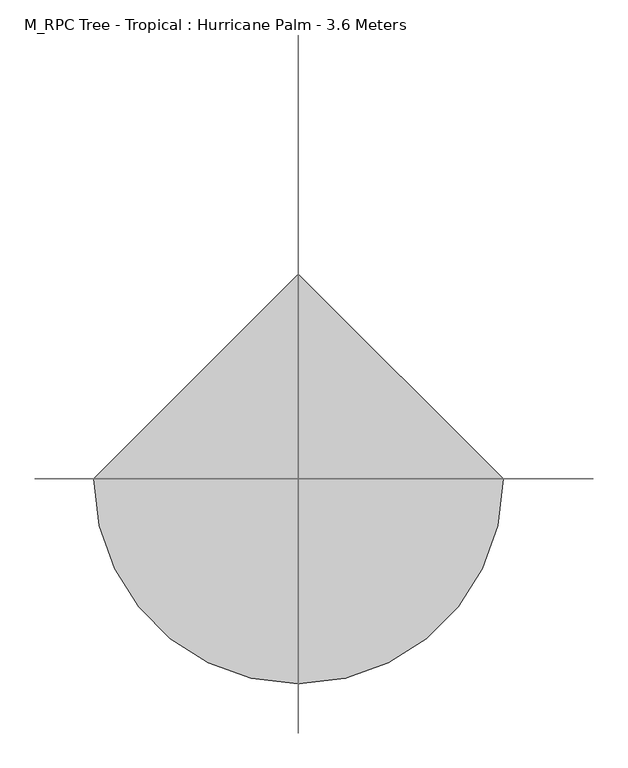
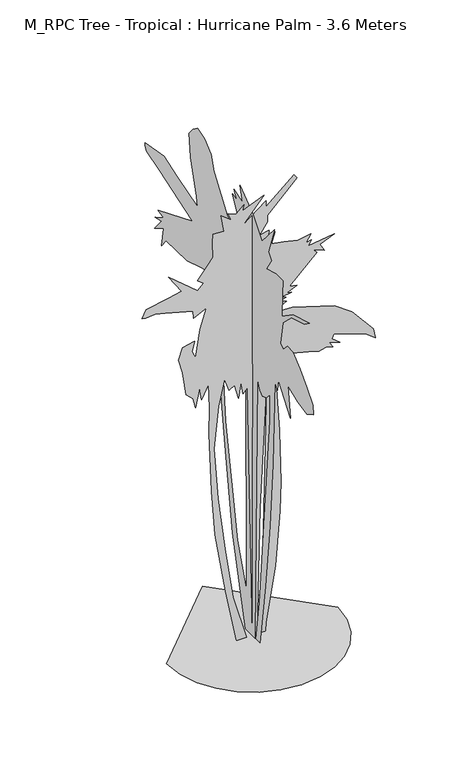
"""IFC4 building model written with IfcOpenShell, lengths in millimetres: geographic element geometry, M_RPC Tree - Tropical : Hurricane Palm - 3.6 Meters."""

import ifcopenshell
import ifcopenshell.guid

model = None  # the IFC model being written
_history = None  # IfcOwnerHistory: only IFC2X3 demands one
_inside = {}  # id of a spatial element -> (the spatial element, [elements in it])
_under = {}  # id of a project, library or spatial element -> (it, [spatial elements below it])
_declared = {}  # id of a project -> (the project, [libraries it declares])
_typed = {}  # id of a type object -> (the type object, [elements of that type])
_made_of = {}  # id of a material, layer set ... -> (it, [elements and type objects made of it])


def new_model(schema):
    """Start an empty IFC model of exactly this schema.

    Asked for "IFC4X3", IfcOpenShell would pick the latest addendum, in which some entities
    have other attributes; the version numbers below select the first issue.
    IFC2X3 requires an IfcOwnerHistory on every rooted entity: one is made here for all.
    """
    global model, _history
    if schema == "IFC4X3":
        model = ifcopenshell.file(schema_version=(4, 3, 0, 0))
    else:
        model = ifcopenshell.file(schema=schema)
    _inside.clear()
    _under.clear()
    _declared.clear()
    _typed.clear()
    _made_of.clear()
    _history = None
    if model.schema == "IFC2X3":
        org = make("IfcOrganization", Name="unknown")
        user = make(
            "IfcPersonAndOrganization",
            ThePerson=make("IfcPerson", FamilyName="unknown"),
            TheOrganization=org,
        )
        app = make(
            "IfcApplication",
            ApplicationDeveloper=org,
            Version="unknown",
            ApplicationFullName="unknown",
            ApplicationIdentifier="unknown",
        )
        _history = make(
            "IfcOwnerHistory",
            OwningUser=user,
            OwningApplication=app,
            ChangeAction="ADDED",
            CreationDate=0,
        )
    return model


def make(cls, **values):
    """One entity of the class cls with the attributes given. An attribute that is None is left unset."""
    return model.create_entity(
        cls, **{name: value for name, value in values.items() if value is not None}
    )


def rooted(cls, **values):
    """An entity with a GlobalId (a new one), such as an element, a storey or a relation."""
    return make(cls, GlobalId=ifcopenshell.guid.new(), OwnerHistory=_history, **values)


def si_unit(unit_type, name, prefix=None):
    """IfcSIUnit, for example si_unit("LENGTHUNIT", "METRE", prefix="MILLI")."""
    return make("IfcSIUnit", UnitType=unit_type, Prefix=prefix, Name=name)


def assignment(units):
    """IfcUnitAssignment: the units of a project."""
    return None if units is None else make("IfcUnitAssignment", Units=units)


def point(xyz):
    """IfcCartesianPoint."""
    return None if xyz is None else make("IfcCartesianPoint", Coordinates=xyz)


def direction(xyz):
    """IfcDirection."""
    return None if xyz is None else make("IfcDirection", DirectionRatios=xyz)


def frame(location, z_axis=None, x_axis=None):
    """IfcAxis2Placement3D, a coordinate frame: its origin and axes. An axis left out is left unset."""
    return make(
        "IfcAxis2Placement3D",
        Location=point(location),
        Axis=direction(z_axis),
        RefDirection=direction(x_axis),
    )


def origin():
    """The frame at (0, 0, 0) with its axes left unset."""
    return frame((0.0, 0.0, 0.0))


def place(relative_to, where):
    """IfcLocalPlacement: puts the frame where relative to a parent placement (None: the world)."""
    return make(
        "IfcLocalPlacement", PlacementRelTo=relative_to, RelativePlacement=where
    )


def context(
    kind, dimensions, precision=None, world=None, true_north=None, identifier=None
):
    """IfcGeometricRepresentationContext, for example the 3D "Model" context."""
    return make(
        "IfcGeometricRepresentationContext",
        ContextIdentifier=identifier,
        ContextType=kind,
        CoordinateSpaceDimension=dimensions,
        Precision=precision,
        WorldCoordinateSystem=world,
        TrueNorth=true_north,
    )


def project(units=None, contexts=None):
    """IfcProject with its units and contexts."""
    return rooted(
        "IfcProject",
        Name="project",
        RepresentationContexts=contexts,
        UnitsInContext=assignment(units),
    )


def spatial(cls, under=None, at=None, **own):
    """A site, building, storey or space (cls), placed at a placement, below another one or the project."""
    s = rooted(cls, ObjectPlacement=at, **own)
    if under is not None:
        _under.setdefault(under.id(), (under, []))[1].append(s)
    return s


def point_list(points):
    """IfcCartesianPointList2D or 3D."""
    cls = (
        "IfcCartesianPointList2D" if len(points[0]) == 2 else "IfcCartesianPointList3D"
    )
    return make(cls, CoordList=points)


def triangles(points, corners, closed=None, point_numbers=None):
    """IfcTriangulatedFaceSet: each triangle names its three corners, points numbered from 1."""
    return make(
        "IfcTriangulatedFaceSet",
        Coordinates=point_list(points),
        Closed=closed,
        CoordIndex=corners,
        PnIndex=point_numbers,
    )


def shape(context_of_items, identifier, shape_type, items):
    """IfcShapeRepresentation: the items that make up one representation, for example the "Body"."""
    return make(
        "IfcShapeRepresentation",
        ContextOfItems=context_of_items,
        RepresentationIdentifier=identifier,
        RepresentationType=shape_type,
        Items=items,
    )


def source(mapping_origin, context_of_items, identifier, shape_type, items):
    """IfcRepresentationMap: a shape defined once, which mapped items show again and again."""
    return make(
        "IfcRepresentationMap",
        MappingOrigin=mapping_origin,
        MappedRepresentation=shape(context_of_items, identifier, shape_type, items),
    )


def transform(
    local_origin,
    x_axis=None,
    y_axis=None,
    z_axis=None,
    scale=None,
    scale2=None,
    scale3=None,
    uniform=True,
):
    """IfcCartesianTransformationOperator3D, or its non-uniform kind. x_axis, y_axis, z_axis: its Axis1, 2, 3."""
    if uniform:
        return make(
            "IfcCartesianTransformationOperator3D",
            Axis1=direction(x_axis),
            Axis2=direction(y_axis),
            LocalOrigin=point(local_origin),
            Scale=scale,
            Axis3=direction(z_axis),
        )
    return make(
        "IfcCartesianTransformationOperator3DnonUniform",
        Axis1=direction(x_axis),
        Axis2=direction(y_axis),
        LocalOrigin=point(local_origin),
        Scale=scale,
        Axis3=direction(z_axis),
        Scale2=scale2,
        Scale3=scale3,
    )


def mapped(mapping_source, mapping_target):
    """IfcMappedItem: shows the shape of a source again, moved by a transform."""
    return make(
        "IfcMappedItem", MappingSource=mapping_source, MappingTarget=mapping_target
    )


def made_of(thing, what):
    """Note that an element or type object is made of a material, layer set ...; save() writes the relation."""
    if what is not None:
        _made_of.setdefault(what.id(), (what, []))[1].append(thing)
    return thing


def element(
    cls,
    number,
    at=None,
    inside=None,
    cuts=None,
    type_object=None,
    material=None,
    context=None,
    identifier="Body",
    shape_type=None,
    held_by="IfcProductDefinitionShape",
    body=None,
    shapes=None,
    **own,
):
    """One element of the class cls, such as IfcWall. Its Tag is "e" and its number.

    at: its placement. inside: the storey or other place that contains it. cuts: it is an
    opening in that element (IfcRelVoidsElement). A single representation is given by context,
    identifier, shape_type and body (its items); several are given by shapes. held_by: the class
    of the entity that holds the representations. save() writes the other relations.
    """
    e = rooted(cls, Tag="e%d" % number, ObjectPlacement=at, **own)
    if body is not None:
        shapes = [shape(context, identifier, shape_type, body)]
    if shapes is not None:
        e.Representation = make(held_by, Representations=shapes)
    if inside is not None:
        _inside.setdefault(inside.id(), (inside, []))[1].append(e)
    if cuts is not None:
        rooted(
            "IfcRelVoidsElement", RelatingBuildingElement=cuts, RelatedOpeningElement=e
        )
    if type_object is not None:
        _typed.setdefault(type_object.id(), (type_object, []))[1].append(e)
    return made_of(e, material)


def aggregate(whole, parts):
    """IfcRelAggregates: a whole, such as a stair, and the parts it consists of."""
    return rooted("IfcRelAggregates", RelatingObject=whole, RelatedObjects=parts)


def save(model, path):
    """Write the relations noted so far, then the file.

    IfcRelAggregates (storeys below a building ...), IfcRelContainedInSpatialStructure (elements
    in a storey), IfcRelDefinesByType, IfcRelAssociatesMaterial and IfcRelDeclares: one each for
    every whole, place, type object, material and project.
    """
    for whole, parts in _under.values():
        aggregate(whole, parts)
    for where, things in _inside.values():
        rooted(
            "IfcRelContainedInSpatialStructure",
            RelatedElements=things,
            RelatingStructure=where,
        )
    for kind, things in _typed.values():
        rooted("IfcRelDefinesByType", RelatedObjects=things, RelatingType=kind)
    for what, things in _made_of.values():
        rooted("IfcRelAssociatesMaterial", RelatedObjects=things, RelatingMaterial=what)
    for by, libraries in _declared.values():
        rooted("IfcRelDeclares", RelatingContext=by, RelatedDefinitions=libraries)
    model.write(path)


def m_rpc_tree_tropical_hurricane_palm_3_6_meters_73a83cb7(model_context):
    return source(origin(), model_context, "Body", "Tessellation", [
        triangles([(-643.5729263, 0.0, 0.0), (-626.5554331, -147.5096553, 0.0), (-578.0829557, -282.9723171, 0.0), (-502.0430114, -402.5097336, 0.0), (-402.3130523, -502.2396927, 0.0), (-282.7756539, -578.2796371, 0.0), (-147.3127378, -626.7520781, 0.0), (0.1966992, -643.7695713, 0.0), (147.7063276, -626.7520781, 0.0), (283.1689802, -578.2796371, 0.0), (402.7064149, -502.2396927, 0.0), (502.436374, -402.5097336, 0.0), (578.4763184, -282.9723171, 0.0), (626.948723, -147.5094101, 0.0), (643.9662163, 5.63e-05, 0.0), (0.1965867, 643.7695713, 0.0), (313.9964953, -0.0001039, 3550.9727875), (336.8464814, -9.66e-05, 3516.6978447), (115.9633523, -6.9e-05, 3299.6230133), (115.9633523, -5.94e-05, 3246.3227783), (55.0301394, -4.68e-05, 3158.7228928), (127.388091, -4.59e-05, 3173.9478355), (123.5800931, -3.79e-05, 3128.2480087), (173.0883084, -3.88e-05, 3147.2980087), (146.4298248, -2.45e-05, 3059.6981232), (237.8295057, -1.72e-05, 3044.4731804), (344.463967, -7e-06, 3017.8230629), (443.4788898, -5.4e-06, 3036.8480644), (405.3964396, 2.9e-06, 2979.7230629), (447.2863973, 3.7e-06, 2987.3481789), (424.4389183, 9.3e-06, 2949.2731773), (618.6612202, 1.44e-05, 2975.9230042), (508.2213407, 1.7e-05, 2930.2231773), (542.4963198, 2.96e-05, 2869.2981171), (458.7138974, 1.92e-05, 2903.5730598), (485.3713546, 2.6e-05, 2873.0981758), (279.7214799, 5.1e-05, 2675.0733444), (336.8464814, 5.6e-05, 2663.6481697), (260.6790012, 5.75e-05, 2633.1732857), (294.9539804, 6.06e-05, 2625.5734589), (222.5965147, 5.9e-05, 2614.1482841), (253.0640046, 6.33e-05, 2598.8983429), (203.5545266, 6.35e-05, 2583.6734001), (256.8714938, 6.96e-05, 2564.6234001), (138.8133293, 7.38e-05, 2507.4983986), (302.571466, 8.28e-05, 2503.6983398), (618.6612202, 0.0001165, 2404.6785118), (748.1461945, 0.0001401, 2309.4709511), (911.9035681, 0.0001824, 2119.0536495), (927.1360685, 0.0001975, 2039.0787346), (862.3961248, 0.0001847, 2092.3961197), (614.8537491, 0.0001558, 2183.796064), (599.621285, 0.0001612, 2149.5211212), (660.5537212, 0.0001731, 2100.0112072), (580.5788063, 0.000165, 2122.8611206), (607.2362998, 0.0001738, 2080.9712357), (553.9213128, 0.0001684, 2096.2035908), (500.603855, 0.0001677, 2084.7787067), (424.4389183, 0.0001605, 2103.8211491), (294.9539804, 0.0001478, 2138.0960918), (165.4715495, 0.0001324, 2187.6035351), (203.5545266, 0.0002474, 1555.4214832), (214.979774, 0.0003208, 1147.9292776), (207.3630332, 0.0003613, 919.4294168), (176.8963064, 0.000436, 492.897167), (104.5381049, 0.0005079, 70.1739552), (100.7298617, 0.0005209, 0.0040319), (55.0301394, 0.0005192, 6.64e-05), (85.4966164, 0.0003735, 816.6069866), (115.9633523, 0.0001415, 2122.8611206), (58.8383826, 0.0003408, 991.7893896), (35.9881467, 0.0005174, 0.0040343), (1.7132677, 0.0005156, 0.0040356), (-36.3698072, 0.000159, 1981.9537331), (-70.644784, 0.000164, 1943.8713192), (-85.8780248, 0.0001456, 2042.8862057), (-101.1115154, 0.0001666, 1921.0212605), (-131.5782422, 0.0001446, 2035.2712635), (-173.4697168, 0.0001473, 2008.6112629), (-207.7446959, 0.0001278, 2107.6286201), (-253.4456673, 0.0001609, 1909.5962311), (-287.7181575, 0.0002171, 1585.8889549), (-257.2531747, 0.0002915, 1178.3967493), (-203.9362075, 0.0003691, 759.4819851), (-143.00299, 0.0004443, 355.7972869), (-43.9865502, 0.0005125, 0.0080045), (-116.3447516, 0.0005097, 0.00404), (-200.1279552, 0.0004299, 420.5397377), (-280.1031608, 0.00034, 900.3894453), (-306.7606361, 0.0002753, 1254.5642658), (-325.8031148, 0.000192, 1715.3714584), (-321.9931003, 0.0001554, 1921.0212605), (-329.6106222, 0.000121, 2111.4360912), (-379.1180655, 0.0001375, 2004.8036465), (-394.353073, 0.000119, 2103.8211491), (-424.8205447, 0.0001434, 1959.1036743), (-443.8605526, 0.0001288, 2035.2712635), (-497.1780104, 0.0001172, 2084.7787067), (-523.8354675, 8.25e-05, 2271.3860664), (-554.3029756, 6.12e-05, 2381.8284531), (-523.8354675, 4.71e-05, 2469.4184555), (-432.4355596, 4.83e-05, 2488.4608978), (-451.4780382, 6.1e-05, 2412.293454), (-424.8205447, 7.26e-05, 2355.1709232), (-390.5430585, 3.62e-05, 2568.4234589), (-344.8430863, 1.06e-05, 2724.57323), (-440.0530452, 1.46e-05, 2675.0733444), (-443.8605526, 4.2e-06, 2732.1983459), (-653.317971, -1.66e-05, 2789.3233475), (-729.4854149, -2.39e-05, 2808.3480583), (-801.8428442, -2.62e-05, 2800.7482315), (-828.5028448, -2.89e-05, 2808.3480583), (-798.0353731, -3.76e-05, 2865.4730598), (-630.467985, -3.52e-05, 2899.7480026), (-531.4529895, -3.43e-05, 2922.5980614), (-630.467985, -6.52e-05, 3067.3229485), (-409.5855735, -2.06e-05, 2880.7232918), (-367.6930724, -2.67e-05, 2926.4231186), (-409.5855735, -3.49e-05, 2960.6980614), (-337.2281078, -4.83e-05, 3055.8980644), (-295.3356431, -5.57e-05, 3109.2230072), (-299.1456395, -7.63e-05, 3223.4730103), (-295.3356431, -8.84e-05, 3292.0228958), (-211.5526939, -8.28e-05, 3284.3977798), (-234.4029343, -0.0001078, 3417.6977829), (-158.2362353, -9.3e-05, 3356.7477242), (-181.0864758, -0.0001044, 3413.8727257), (-120.1530039, -9.66e-05, 3387.2228989), (-63.0282885, -0.0001039, 3444.3479004), (-74.4530318, -9.63e-05, 3398.6477829), (89.305114, -0.0001003, 3467.1976685), (-74.4530318, -7.52e-05, 3280.5980118), (104.5381049, -9.06e-05, 3417.6977829), (104.5381049, -8.18e-05, 3368.1728989), (0.1966746, 109.7849322, 2058.8987457), (0.1966737, 136.4211607, 1982.7937981), (0.1966621, 178.2778899, 2203.4960243), (0.1966558, 208.7196183, 2294.8185024), (0.1966526, 254.3823289, 2218.7160255), (0.1966467, 322.8748052, 2142.6110779), (0.1966388, 398.9797528, 2104.5612202), (0.1966634, 345.7072778, 1491.9265217), (0.1967073, 189.6938719, 643.3695957), (0.1967308, 75.5382035, 312.3198172), (0.196676, 83.1486947, 2119.781076), (0.196648, 711.0045662, 3599.997702), (0.1966593, 623.4846176, 3569.5478165), (0.1966719, 535.964669, 3497.2478691), (0.196679, 501.7196663, 3394.522744), (0.1966946, 406.5897534, 3253.722908), (0.1967081, 322.8748052, 3135.7731308), (0.1967188, 242.9660926, 3093.8980705), (0.1967273, 155.4471432, 3158.5979004), (0.1967093, 258.1873292, 3352.6729729), (0.196717, 197.3038725, 3337.4477394), (0.1967102, 239.1608379, 3398.3228027), (0.1967248, 125.005424, 3364.0728584), (0.1967173, 159.2518892, 3482.0476341), (0.1967415, -11.9810172, 3352.6729729), (0.1967594, -126.1366685, 3208.0730782), (0.1967733, -289.7598207, 3398.3228027), (0.1967703, -209.8506176, 3177.6229019), (0.1967768, -251.7073468, 3128.1480148), (0.1967717, -183.21438, 3025.4231804), (0.1967856, -308.7847858, 3059.6731247), (0.1967965, -400.1097347, 3059.6731247), (0.1967989, -392.4997341, 2949.3231743), (0.1968038, -388.6947338, 2770.4733353), (0.1968176, -529.4871574, 2869.398111), (0.1968412, -742.5770576, 2930.2731743), (0.1968353, -681.694582, 2884.6230537), (0.1968168, -514.2646854, 2835.1481667), (0.1968064, -400.1097347, 2728.598275), (0.1968079, -365.8622612, 2542.1483185), (0.1968131, -403.914735, 2519.3232582), (0.1968177, -457.1872101, 2576.3982628), (0.1968265, -529.4871574, 2572.5984947), (0.1968401, -624.6146358, 2496.4935471), (0.1968533, -712.1345118, 2401.3659233), (0.1968656, -792.0444597, 2310.0409744), (0.1968686, -799.6544603, 2237.7410271), (0.1968597, -712.1345118, 2188.2735523), (0.1968448, -594.1746334, 2214.9110252), (0.1968283, -468.602211, 2268.1835003), (0.1968387, -495.2396839, 2024.6512722), (0.1968143, -343.0322957, 2233.9360268), (0.1968151, -327.8122945, 2146.4186943), (0.1968101, -297.3698031, 2192.0785526), (0.1968268, -270.7323302, 1526.1715244), (0.1968377, -232.6816004, 1008.6668478), (0.1968461, -175.6038889, 498.7721718), (0.1968523, -103.3054313, 0.0065168), (0.1968459, -50.03272, 0.0065184), (0.1968415, -91.8899398, 316.1247811), (0.1968127, -232.6816004, 1845.8088455), (0.1968065, -232.6816004, 2055.0937454), (0.1968026, -187.0193803, 2001.8212704), (0.1967969, -133.7469144, 1982.7937981), (0.196792, -99.5001857, 2009.431271), (0.1967862, -69.0587072, 2081.7286022), (0.1968445, -38.6169743, 0.0104859), (0.1968297, 86.9539402, 0.0065225), (0.1967899, 254.3823289, 662.3945972), (0.1967589, 357.1222787, 1294.0566227), (0.1967248, 456.0571918, 2039.8711281), (0.1967207, 456.0571918, 2180.6635517), (0.1967161, 505.5246666, 2135.0010773), (0.1967156, 459.8621922, 2336.6759766), (0.1967101, 501.7196663, 2351.8984486), (0.1967089, 478.8871937, 2485.0785461), (0.1967046, 520.7446678, 2462.2485443), (0.1967001, 535.964669, 2549.7734344), (0.1966864, 657.7320911, 2523.123317), (0.1966655, 847.9894461, 2462.2485443), (0.1966331, 1121.9642927, 2454.6385437), (0.1966285, 1179.0417681, 2382.338451), (0.1966272, 1152.4042952, 2530.7484329), (0.1966151, 1270.3666443, 2466.0535446), (0.1966227, 1179.0417681, 2576.3982628), (0.1966133, 1262.7566437, 2557.3732613), (0.1966241, 1156.2117662, 2618.2483246), (0.1966154, 1224.7041698, 2637.2983246), (0.1966631, 779.4969698, 2819.9232239), (0.196607, 1213.2892416, 2964.5231186), (0.1965862, 1376.9115944, 3010.1979469), (0.1965829, 1395.9365959, 3044.4481819), (0.1965822, 1395.9365959, 3067.2729515), (0.1966104, 1148.5992949, 3109.1230133), (0.1966334, 969.7568682, 3052.0480087), (0.1966662, 714.8095665, 2972.1482346), (0.1966629, 722.4195671, 3052.0480087), (0.1966456, 802.3295151, 3314.5979713), (0.196638, 821.3544439, 3493.4478104), (0.1966421, 771.8870419, 3554.3475815), (0.1967197, 29.876231, 2180.6635517), (0.1967832, 3.2397229, 156.3063931), (0.1967254, -11.9809423, 2157.8335499)], [[15, 16, 1], [14, 15, 1], [14, 1, 2], [13, 14, 2], [13, 2, 3], [13, 3, 4], [12, 13, 4], [11, 12, 4], [11, 4, 5], [11, 5, 6], [11, 6, 7], [11, 7, 8], [11, 8, 9], [11, 9, 10], [31, 32, 33], [115, 116, 117], [39, 40, 41], [76, 77, 78], [53, 54, 55], [95, 96, 97], [130, 131, 132], [128, 129, 130], [37, 38, 39], [93, 94, 95], [33, 34, 35], [49, 50, 51], [31, 33, 35], [55, 56, 57], [124, 125, 126], [41, 42, 43], [126, 127, 128], [27, 28, 29], [43, 44, 45], [29, 30, 31], [74, 75, 76], [23, 24, 25], [132, 133, 134], [101, 102, 103], [106, 107, 108], [100, 101, 103], [21, 22, 23], [128, 130, 132], [126, 128, 132], [78, 79, 80], [85, 86, 87], [85, 87, 88], [84, 85, 88], [84, 88, 89], [83, 84, 89], [83, 89, 90], [82, 83, 90], [82, 90, 91], [81, 82, 91], [81, 91, 92], [48, 49, 51], [48, 51, 52], [111, 112, 113], [47, 48, 52], [110, 111, 113], [110, 113, 114], [109, 110, 114], [134, 17, 18], [134, 18, 19], [132, 134, 19], [95, 97, 98], [67, 68, 69], [66, 67, 69], [65, 66, 69], [64, 65, 69], [64, 69, 70], [63, 64, 70], [62, 63, 70], [61, 62, 70], [124, 126, 132], [132, 19, 20], [132, 20, 21], [95, 98, 99], [122, 123, 124], [99, 100, 103], [99, 103, 104], [72, 73, 74], [71, 72, 74], [70, 71, 74], [70, 74, 76], [118, 119, 120], [95, 99, 104], [93, 95, 104], [35, 36, 37], [80, 81, 92], [80, 92, 93], [108, 109, 114], [108, 114, 115], [108, 115, 117], [106, 108, 117], [31, 35, 37], [46, 47, 52], [46, 52, 53], [46, 53, 55], [46, 55, 57], [46, 57, 58], [46, 58, 59], [46, 59, 60], [46, 60, 61], [45, 46, 61], [80, 93, 104], [106, 117, 118], [29, 31, 37], [27, 29, 37], [26, 27, 37], [25, 26, 37], [121, 122, 124], [121, 124, 132], [121, 132, 21], [76, 78, 80], [80, 104, 105], [70, 76, 80], [70, 80, 105], [61, 70, 105], [45, 61, 105], [45, 105, 106], [43, 45, 106], [41, 43, 106], [41, 106, 118], [41, 118, 120], [41, 120, 121], [41, 121, 21], [41, 21, 23], [41, 23, 25], [41, 25, 37], [41, 37, 39], [235, 144, 145], [144, 235, 236], [219, 220, 221], [160, 161, 162], [169, 170, 171], [169, 171, 172], [217, 218, 219], [215, 216, 217], [184, 185, 186], [135, 136, 137], [168, 169, 172], [168, 172, 173], [206, 207, 208], [157, 158, 159], [221, 222, 223], [155, 156, 157], [186, 187, 188], [145, 135, 146], [145, 146, 147], [145, 147, 148], [145, 148, 149], [145, 149, 150], [145, 150, 151], [153, 154, 155], [145, 151, 152], [235, 145, 152], [210, 211, 212], [192, 193, 194], [191, 192, 194], [191, 194, 195], [190, 191, 195], [189, 190, 195], [188, 189, 195], [188, 195, 196], [165, 166, 167], [153, 155, 157], [153, 157, 159], [153, 159, 160], [226, 227, 228], [225, 226, 228], [224, 225, 228], [223, 224, 228], [223, 228, 229], [223, 229, 230], [208, 209, 210], [201, 202, 203], [162, 163, 164], [160, 162, 164], [153, 160, 164], [214, 215, 217], [164, 165, 167], [164, 167, 168], [235, 152, 153], [235, 153, 164], [235, 164, 168], [235, 168, 173], [235, 173, 174], [237, 235, 174], [237, 174, 175], [180, 181, 182], [179, 180, 182], [179, 182, 183], [179, 183, 184], [178, 179, 184], [177, 178, 184], [176, 177, 184], [175, 176, 184], [237, 175, 184], [237, 184, 186], [237, 186, 188], [237, 188, 196], [237, 196, 197], [217, 219, 221], [214, 217, 221], [214, 221, 223], [213, 214, 223], [212, 213, 223], [212, 223, 230], [197, 198, 199], [197, 199, 200], [237, 197, 200], [236, 237, 200], [236, 200, 201], [236, 201, 203], [144, 236, 203], [143, 144, 203], [142, 143, 203], [142, 203, 204], [142, 204, 205], [141, 142, 205], [141, 205, 206], [140, 141, 206], [140, 206, 208], [139, 140, 208], [138, 139, 208], [138, 208, 210], [232, 233, 234], [232, 234, 146], [231, 232, 146], [210, 212, 230], [138, 210, 230], [138, 230, 231], [138, 231, 146], [138, 146, 135], [138, 135, 137]], closed=False),
    ])


if __name__ == "__main__":
    model = new_model("IFC4")
    model_context = context("Model", 3, world=origin())
    ifc_project = project(units=[si_unit("LENGTHUNIT", "METRE", prefix="MILLI")], contexts=[model_context])
    site = spatial("IfcSite", under=ifc_project)
    building = spatial("IfcBuilding", under=site)
    placement = place(None, origin())
    m_rpc_tree_tropical_hurricane_palm_3_6_meters_shape = m_rpc_tree_tropical_hurricane_palm_3_6_meters_73a83cb7(model_context)
    element("IfcGeographicElement", 1, ObjectType="M_RPC Tree - Tropical : Hurricane Palm - 3.6 Meters", at=placement, inside=building, context=model_context, shape_type="MappedRepresentation", body=[
        mapped(m_rpc_tree_tropical_hurricane_palm_3_6_meters_shape, transform((0.0, 0.0, 0.0), x_axis=(1.0, 0.0, 0.0), y_axis=(0.0, 1.0, 0.0), z_axis=(0.0, 0.0, 1.0))),
    ])
    save(model, "model.ifc")
